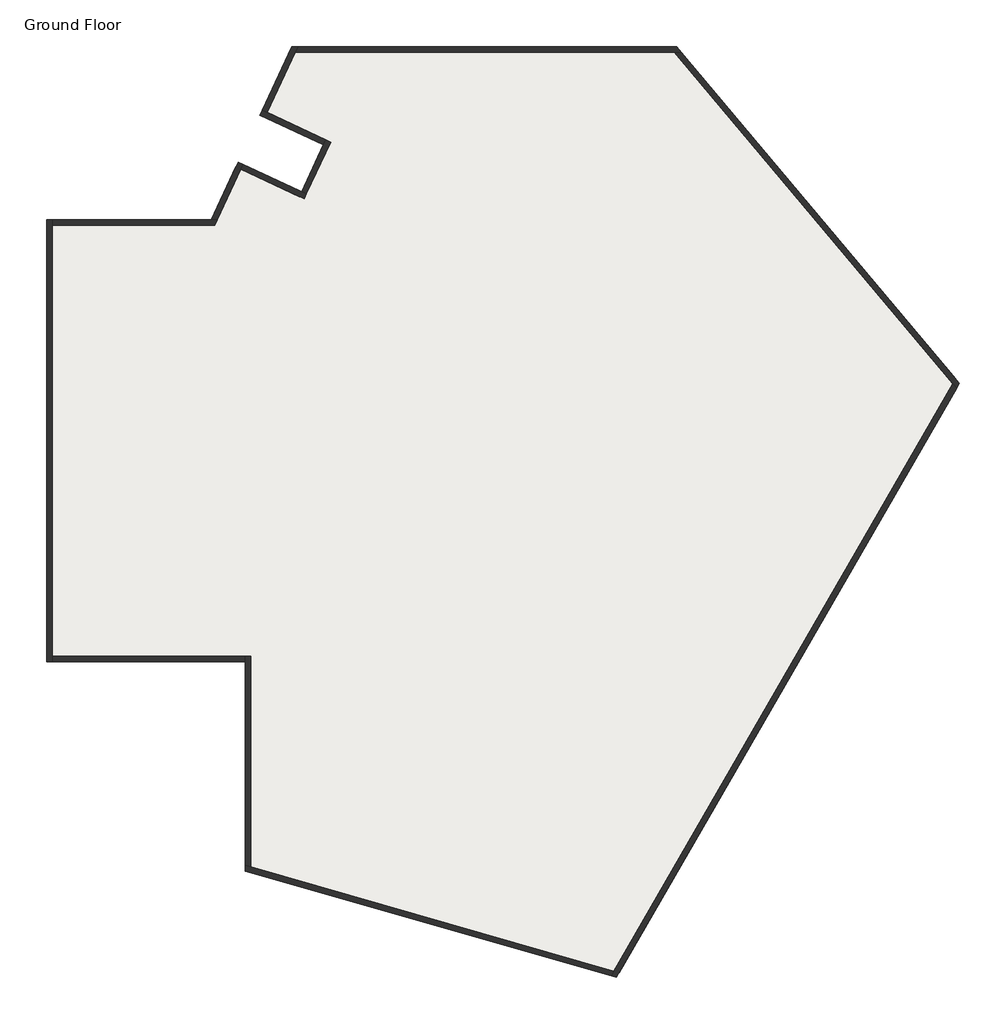
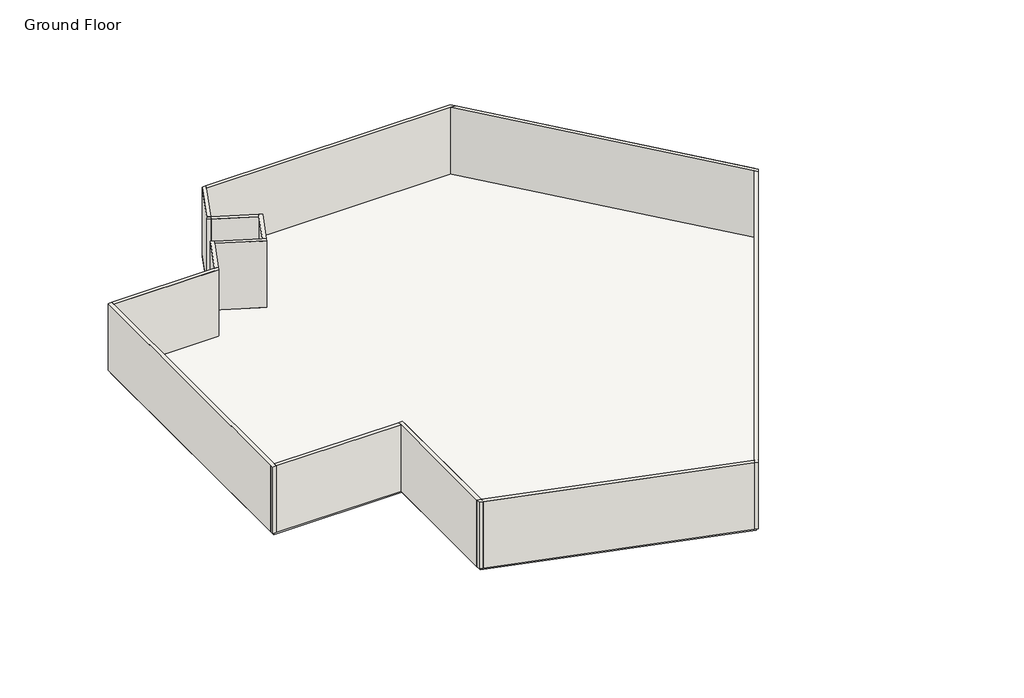
# One storey: 26 walls, 2 slabs.
"""IFC4 building model written with IfcOpenShell, lengths in millimetres."""

from ifc_helpers import new_model, si_unit, frame, origin, origin_with_axes, place, context, project, spatial, polyline, outline, extrude, faceted_brep, element, save

model = new_model("IFC4")

# Units and contexts
model_context = context("Model", 3, world=origin())
ifc_project = project(units=[si_unit("LENGTHUNIT", "METRE", prefix="MILLI")], contexts=[model_context])

# Site, building, storey
site = spatial("IfcSite", under=ifc_project)
building = spatial("IfcBuilding", under=site)
storey = spatial("IfcBuildingStorey", under=building, Name="Ground Floor", Elevation=0.0)

# Slabs
placement = place(None, origin())
element("IfcSlab", 1, ObjectType="Generic 150mm", at=placement, inside=storey, context=model_context, shape_type="SweptSolid", body=[
    extrude(outline(polyline([(-16614.6161583, 7322.1830783), (-10614.6161583, 7322.1830783), (-9645.9163017, 9399.5666246), (-7318.5272527, 8314.2872875), (-6431.028903, 10217.5336403), (-8758.4179521, 11302.8129774), (-7656.2883261, 13666.3375876), (6343.7116739, 13666.3375876), (16628.3134289, 1409.6264977), (4128.3134289, -20241.008597), (-9329.3503142, -16382.0856155), (-9329.3503142, -8677.8169217), (-16614.6161583, -8677.8169217), (-16614.6161583, 7322.1830783)])), frame((0.0, 0.0, -150.0), z_axis=(0.0, 0.0, 1.0), x_axis=(1.0, 0.0, 0.0)), (0.0, 0.0, 1.0), 150.0),
])
element("IfcSlab", 2, ObjectType="Generic 150mm", at=placement, inside=storey, context=model_context, shape_type="SweptSolid", body=[
    extrude(outline(polyline([(-16614.6161583, 7322.1830783), (-10614.6161583, 7322.1830783), (-9645.9163017, 9399.5666246), (-7318.5272527, 8314.2872875), (-6431.028903, 10217.5336403), (-8758.4179521, 11302.8129774), (-7656.2883261, 13666.3375876), (6343.7116739, 13666.3375876), (16628.3134289, 1409.6264977), (4128.3134289, -20241.008597), (-9329.3503142, -16382.0856155), (-9329.3503142, -8677.8169217), (-16614.6161583, -8677.8169217), (-16614.6161583, 7322.1830783)])), frame((0.0, 0.0, -150.0), z_axis=(0.0, 0.0, 1.0), x_axis=(1.0, 0.0, 0.0)), (0.0, 0.0, 1.0), 150.0),
])

# Walls
element("IfcWall", 3, ObjectType="Generic 200mm Wall", at=placement, inside=storey, context=model_context, shape_type="Brep", body=[
    faceted_brep([(-16514.6161583, -8777.8169217, 0.0), (-16514.6161583, -8577.8169217, 0.0), (-16514.6161583, 7222.1830783, 0.0), (-16514.6161583, 7422.1830783, 0.0), (-16514.6161583, 7422.1830783, 4000.0), (-16514.6161583, 7222.1830783, 4000.0), (-16514.6161583, -8577.8169217, 4000.0), (-16514.6161583, -8777.8169217, 4000.0), (-16714.6161583, -8777.8169217, 0.0), (-16714.6161583, -8777.8169217, 4000.0), (-16714.6161583, 7422.1830783, 4000.0), (-16714.6161583, 7422.1830783, 0.0)], [[[0, 1, 2, 3, 4, 5, 6, 7]], [[8, 9, 10, 11]], [[3, 2, 1, 0, 8, 11]], [[7, 6, 5, 4, 10, 9]], [[4, 3, 11, 10]], [[0, 7, 9, 8]]]),
])
element("IfcWall", 4, ObjectType="Generic 200mm Wall", at=placement, inside=storey, context=model_context, shape_type="Brep", body=[
    faceted_brep([(-16514.6161583, 7222.1830783, 0.0), (-10550.9091322, 7222.1830783, 0.0), (-10550.9091322, 7222.1830783, 4000.0), (-16514.6161583, 7222.1830783, 4000.0), (-16514.6161583, 7422.1830783, 0.0), (-16514.6161583, 7422.1830783, 4000.0), (-10678.3231844, 7422.1830783, 4000.0), (-10457.6476006, 7422.1830783, 4000.0), (-10457.6476006, 7422.1830783, 0.0), (-10678.3231844, 7422.1830783, 0.0)], [[[0, 1, 2, 3]], [[4, 5, 6, 7, 8, 9]], [[1, 0, 4, 9, 8]], [[3, 2, 7, 6, 5]], [[2, 1, 8, 7]], [[0, 3, 5, 4]]]),
])
element("IfcWall", 5, ObjectType="Generic 200mm Wall", at=placement, inside=storey, context=model_context, shape_type="Brep", body=[
    faceted_brep([(-10457.6476006, 7422.1830783, 0.0), (-9597.5473492, 9266.6740197, 0.0), (-9513.0236968, 9447.9355771, 0.0), (-9513.0236968, 9447.9355771, 4000.0), (-9597.5473492, 9266.6740197, 4000.0), (-10457.6476006, 7422.1830783, 4000.0), (-10678.3231844, 7422.1830783, 0.0), (-10678.3231844, 7422.1830783, 4000.0), (-9694.2852542, 9532.4592295, 4000.0), (-9694.2852542, 9532.4592295, 0.0)], [[[0, 1, 2, 3, 4, 5]], [[6, 7, 8, 9]], [[2, 1, 0, 6, 9]], [[5, 4, 3, 8, 7]], [[3, 2, 9, 8]], [[0, 5, 7, 6]]]),
])
element("IfcWall", 6, ObjectType="Generic 200mm Wall", at=placement, inside=storey, context=model_context, shape_type="Brep", body=[
    faceted_brep([(-9597.5473492, 9266.6740197, 0.0), (-7270.1583001, 8181.3946827, 0.0), (-7270.1583001, 8181.3946827, 4000.0), (-9597.5473492, 9266.6740197, 4000.0), (-9513.0236968, 9447.9355771, 0.0), (-9513.0236968, 9447.9355771, 4000.0), (-7366.8962052, 8447.1798924, 4000.0), (-7185.6346478, 8362.6562401, 4000.0), (-7185.6346478, 8362.6562401, 0.0), (-7366.8962052, 8447.1798924, 0.0)], [[[0, 1, 2, 3]], [[4, 5, 6, 7, 8, 9]], [[1, 0, 4, 9, 8]], [[3, 2, 7, 6, 5]], [[2, 1, 8, 7]], [[0, 3, 5, 4]]]),
])
element("IfcWall", 7, ObjectType="Generic 200mm Wall", at=placement, inside=storey, context=model_context, shape_type="Brep", body=[
    faceted_brep([(-7185.6346478, 8362.6562401, 0.0), (-6298.1362981, 10265.9025928, 0.0), (-6298.1362981, 10265.9025928, 4000.0), (-7185.6346478, 8362.6562401, 4000.0), (-7366.8962052, 8447.1798924, 0.0), (-7366.8962052, 8447.1798924, 4000.0), (-6563.9215079, 10169.1646878, 4000.0), (-6479.3978555, 10350.4262452, 4000.0), (-6479.3978555, 10350.4262452, 0.0), (-6563.9215079, 10169.1646878, 0.0)], [[[0, 1, 2, 3]], [[4, 5, 6, 7, 8, 9]], [[1, 0, 4, 9, 8]], [[3, 2, 7, 6, 5]], [[2, 1, 8, 7]], [[0, 3, 5, 4]]]),
])
element("IfcWall", 8, ObjectType="Generic 200mm Wall", at=placement, inside=storey, context=model_context, shape_type="Brep", body=[
    faceted_brep([(-6479.3978555, 10350.4262452, 0.0), (-8625.5253472, 11351.1819299, 0.0), (-8806.7869046, 11435.7055823, 0.0), (-8806.7869046, 11435.7055823, 4000.0), (-8625.5253472, 11351.1819299, 4000.0), (-6479.3978555, 10350.4262452, 4000.0), (-6563.9215079, 10169.1646878, 0.0), (-6563.9215079, 10169.1646878, 4000.0), (-8891.3105569, 11254.4440249, 4000.0), (-8891.3105569, 11254.4440249, 0.0)], [[[0, 1, 2, 3, 4, 5]], [[6, 7, 8, 9]], [[2, 1, 0, 6, 9]], [[5, 4, 3, 8, 7]], [[3, 2, 9, 8]], [[0, 5, 7, 6]]]),
])
element("IfcWall", 9, ObjectType="Generic 200mm Wall", at=placement, inside=storey, context=model_context, shape_type="Brep", body=[
    faceted_brep([(-8625.5253472, 11351.1819299, 0.0), (-7592.5813, 13566.3375876, 0.0), (-7499.3197684, 13766.3375876, 0.0), (-7499.3197684, 13766.3375876, 4000.0), (-7592.5813, 13566.3375876, 4000.0), (-8625.5253472, 11351.1819299, 4000.0), (-8806.7869046, 11435.7055823, 0.0), (-8806.7869046, 11435.7055823, 4000.0), (-7719.9953522, 13766.3375876, 4000.0), (-7719.9953522, 13766.3375876, 0.0)], [[[0, 1, 2, 3, 4, 5]], [[6, 7, 8, 9]], [[2, 1, 0, 6, 9]], [[5, 4, 3, 8, 7]], [[3, 2, 9, 8]], [[0, 5, 7, 6]]]),
])
element("IfcWall", 10, ObjectType="Generic 200mm Wall", at=placement, inside=storey, context=model_context, shape_type="Brep", body=[
    faceted_brep([(-7592.5813, 13566.3375876, 0.0), (6297.0809081, 13566.3375876, 0.0), (6558.162366, 13566.3375876, 0.0), (6558.162366, 13566.3375876, 4000.0), (6297.0809081, 13566.3375876, 4000.0), (-7592.5813, 13566.3375876, 4000.0), (-7499.3197684, 13766.3375876, 0.0), (-7499.3197684, 13766.3375876, 4000.0), (6390.3424397, 13766.3375876, 4000.0), (6390.3424397, 13766.3375876, 0.0)], [[[0, 1, 2, 3, 4, 5]], [[6, 7, 8, 9]], [[2, 1, 0, 6, 9]], [[5, 4, 3, 8, 7]], [[3, 2, 9, 8]], [[0, 5, 7, 6]]]),
])
element("IfcWall", 11, ObjectType="Generic 200mm Wall", at=placement, inside=storey, context=model_context, shape_type="Brep", body=[
    faceted_brep([(6297.0809081, 13566.3375876, 0.0), (16506.7005116, 1398.9867461, 0.0), (16643.5085689, 1235.9452522, 0.0), (16643.5085689, 1235.9452522, 4000.0), (16506.7005116, 1398.9867461, 4000.0), (6297.0809081, 13566.3375876, 4000.0), (6558.162366, 13566.3375876, 0.0), (6558.162366, 13566.3375876, 4000.0), (16749.9263462, 1420.2662493, 4000.0), (16749.9263462, 1420.2662493, 0.0)], [[[0, 1, 2, 3, 4, 5]], [[6, 7, 8, 9]], [[2, 1, 0, 6, 9]], [[5, 4, 3, 8, 7]], [[3, 2, 9, 8]], [[0, 5, 7, 6]]]),
])
element("IfcWall", 12, ObjectType="Generic 200mm Wall", at=placement, inside=storey, context=model_context, shape_type="Brep", body=[
    faceted_brep([(16506.7005116, 1398.9867461, 0.0), (4080.7751698, -20123.3472769, 0.0), (3977.7138069, -20301.8547938, 0.0), (3977.7138069, -20301.8547938, 4000.0), (4080.7751698, -20123.3472769, 4000.0), (16506.7005116, 1398.9867461, 4000.0), (16643.5085689, 1235.9452522, 0.0), (16643.5085689, 1235.9452522, 4000.0), (4175.8516879, -20358.669917, 4000.0), (4175.8516879, -20358.669917, 0.0)], [[[0, 1, 2, 3, 4, 5]], [[6, 7, 8, 9]], [[2, 1, 0, 6, 9]], [[5, 4, 3, 8, 7]], [[3, 2, 9, 8]], [[0, 5, 7, 6]]]),
])
element("IfcWall", 13, ObjectType="Generic 200mm Wall", at=placement, inside=storey, context=model_context, shape_type="Brep", body=[
    faceted_brep([(4080.7751698, -20123.3472769, 0.0), (-9229.3503142, -16306.7302105, 0.0), (-9429.3503142, -16249.3811334, 0.0), (-9429.3503142, -16249.3811334, 4000.0), (-9229.3503142, -16306.7302105, 4000.0), (4080.7751698, -20123.3472769, 4000.0), (3977.7138069, -20301.8547938, 0.0), (3977.7138069, -20301.8547938, 4000.0), (-9429.3503142, -16457.4410205, 4000.0), (-9429.3503142, -16457.4410205, 0.0)], [[[0, 1, 2, 3, 4, 5]], [[6, 7, 8, 9]], [[2, 1, 0, 6, 9]], [[5, 4, 3, 8, 7]], [[3, 2, 9, 8]], [[0, 5, 7, 6]]]),
])
element("IfcWall", 14, ObjectType="Generic 200mm Wall", at=placement, inside=storey, context=model_context, shape_type="Brep", body=[
    faceted_brep([(-9229.3503142, -16306.7302105, 0.0), (-9229.3503142, -8577.8169217, 0.0), (-9229.3503142, -8577.8169217, 4000.0), (-9229.3503142, -16306.7302105, 4000.0), (-9429.3503142, -16249.3811334, 0.0), (-9429.3503142, -16249.3811334, 4000.0), (-9429.3503142, -8777.8169217, 4000.0), (-9429.3503142, -8577.8169217, 4000.0), (-9429.3503142, -8577.8169217, 0.0), (-9429.3503142, -8777.8169217, 0.0)], [[[0, 1, 2, 3]], [[4, 5, 6, 7, 8, 9]], [[1, 0, 4, 9, 8]], [[3, 2, 7, 6, 5]], [[2, 1, 8, 7]], [[0, 3, 5, 4]]]),
])
element("IfcWall", 15, ObjectType="Generic 200mm Wall", at=placement, inside=storey, context=model_context, shape_type="SweptSolid", body=[
    extrude(outline(polyline([(-16514.6161583, -8577.8169217), (-9429.3503142, -8577.8169217), (-9429.3503142, -8777.8169217), (-16514.6161583, -8777.8169217), (-16514.6161583, -8577.8169217)])), origin_with_axes(), (0.0, 0.0, 1.0), 4000.0),
])
element("IfcWall", 16, ObjectType="Generic 200mm Wall", at=placement, inside=storey, context=model_context, shape_type="SweptSolid", body=[
    extrude(outline(polyline([(-16514.6161583, 7222.1830783), (-16514.6161583, -8577.8169217), (-16714.6161583, -8577.8169217), (-16714.6161583, 7222.1830783), (-16514.6161583, 7222.1830783)])), origin_with_axes(), (0.0, 0.0, 1.0), 4000.0),
])
element("IfcWall", 17, ObjectType="Generic 200mm Wall", at=placement, inside=storey, context=model_context, shape_type="Brep", body=[
    faceted_brep([(-16514.6161583, 7222.1830783, 0.0), (-10771.584716, 7222.1830783, 0.0), (-10771.584716, 7222.1830783, 4000.0), (-16514.6161583, 7222.1830783, 4000.0), (-16514.6161583, 7422.1830783, 0.0), (-16514.6161583, 7422.1830783, 2083.0), (-16514.6161583, 7422.1830783, 4000.0), (-10678.3231844, 7422.1830783, 4000.0), (-10678.3231844, 7422.1830783, 0.0)], [[[0, 1, 2, 3]], [[4, 5, 6, 7, 8]], [[1, 0, 4, 8]], [[3, 2, 7, 6]], [[0, 3, 6, 5, 4]], [[2, 1, 8, 7]]]),
])
element("IfcWall", 18, ObjectType="Generic 200mm Wall", at=placement, inside=storey, context=model_context, shape_type="SweptSolid", body=[
    extrude(outline(polyline([(-9597.5473492, 9266.6740197), (-10457.6476006, 7422.1830783), (-10678.3231844, 7422.1830783), (-9778.8089066, 9351.1976721), (-9597.5473492, 9266.6740197)])), origin_with_axes(), (0.0, 0.0, 1.0), 4000.0),
])
element("IfcWall", 19, ObjectType="Generic 200mm Wall", at=placement, inside=storey, context=model_context, shape_type="SweptSolid", body=[
    extrude(outline(polyline([(-7451.4198575, 8265.918335), (-9597.5473492, 9266.6740197), (-9513.0236968, 9447.9355771), (-7366.8962052, 8447.1798924), (-7451.4198575, 8265.918335)])), origin_with_axes(), (0.0, 0.0, 1.0), 4000.0),
])
element("IfcWall", 20, ObjectType="Generic 200mm Wall", at=placement, inside=storey, context=model_context, shape_type="SweptSolid", body=[
    extrude(outline(polyline([(-6382.6599505, 10084.6410354), (-7185.6346478, 8362.6562401), (-7366.8962052, 8447.1798924), (-6563.9215079, 10169.1646878), (-6382.6599505, 10084.6410354)])), origin_with_axes(), (0.0, 0.0, 1.0), 4000.0),
])
element("IfcWall", 21, ObjectType="Generic 200mm Wall", at=placement, inside=storey, context=model_context, shape_type="SweptSolid", body=[
    extrude(outline(polyline([(-8625.5253472, 11351.1819299), (-6479.3978555, 10350.4262452), (-6563.9215079, 10169.1646878), (-8710.0489995, 11169.9203725), (-8625.5253472, 11351.1819299)])), origin_with_axes(), (0.0, 0.0, 1.0), 4000.0),
])
element("IfcWall", 22, ObjectType="Generic 200mm Wall", at=placement, inside=storey, context=model_context, shape_type="SweptSolid", body=[
    extrude(outline(polyline([(-7592.5813, 13566.3375876), (-8625.5253472, 11351.1819299), (-8806.7869046, 11435.7055823), (-7813.2568838, 13566.3375876), (-7592.5813, 13566.3375876)])), origin_with_axes(), (0.0, 0.0, 1.0), 4000.0),
])
element("IfcWall", 23, ObjectType="Generic 200mm Wall", at=placement, inside=storey, context=model_context, shape_type="SweptSolid", body=[
    extrude(outline(polyline([(6297.0809081, 13566.3375876), (-7592.5813, 13566.3375876), (-7499.3197684, 13766.3375876), (6129.2609819, 13766.3375876), (6297.0809081, 13566.3375876)])), origin_with_axes(), (0.0, 0.0, 1.0), 4000.0),
])
element("IfcWall", 24, ObjectType="Generic 200mm Wall", at=placement, inside=storey, context=model_context, shape_type="SweptSolid", body=[
    extrude(outline(polyline([(16506.7005116, 1398.9867461), (6297.0809081, 13566.3375876), (6558.162366, 13566.3375876), (16613.1182889, 1583.3077431), (16506.7005116, 1398.9867461)])), origin_with_axes(), (0.0, 0.0, 1.0), 4000.0),
])
element("IfcWall", 25, ObjectType="Generic 200mm Wall", at=placement, inside=storey, context=model_context, shape_type="SweptSolid", body=[
    extrude(outline(polyline([(4080.7751698, -20123.3472769), (16506.7005116, 1398.9867461), (16643.5085689, 1235.9452522), (4278.9130509, -20180.1624001), (4080.7751698, -20123.3472769)])), origin_with_axes(), (0.0, 0.0, 1.0), 4000.0),
])
element("IfcWall", 26, ObjectType="Generic 200mm Wall", at=placement, inside=storey, context=model_context, shape_type="SweptSolid", body=[
    extrude(outline(polyline([(-9229.3503142, -16306.7302105), (4080.7751698, -20123.3472769), (3977.7138069, -20301.8547938), (-9229.3503142, -16514.7900977), (-9229.3503142, -16306.7302105)])), origin_with_axes(), (0.0, 0.0, 1.0), 4000.0),
])
element("IfcWall", 27, ObjectType="Generic 200mm Wall", at=placement, inside=storey, context=model_context, shape_type="SweptSolid", body=[
    extrude(outline(polyline([(-9229.3503142, -8777.8169217), (-9229.3503142, -16306.7302105), (-9429.3503142, -16249.3811334), (-9429.3503142, -8777.8169217), (-9229.3503142, -8777.8169217)])), origin_with_axes(), (0.0, 0.0, 1.0), 4000.0),
])
element("IfcWall", 28, ObjectType="Generic 200mm Wall", at=placement, inside=storey, context=model_context, shape_type="Brep", body=[
    faceted_brep([(-9429.3503142, -8577.8169217, 0.0), (-16514.6161583, -8577.8169217, 0.0), (-16514.6161583, -8577.8169217, 4000.0), (-9429.3503142, -8577.8169217, 4000.0), (-9429.3503142, -8777.8169217, 0.0), (-9429.3503142, -8777.8169217, 4000.0), (-16514.6161583, -8777.8169217, 4000.0), (-16514.6161583, -8777.8169217, 2083.0), (-16514.6161583, -8777.8169217, 0.0)], [[[0, 1, 2, 3]], [[4, 5, 6, 7, 8]], [[1, 0, 4, 8]], [[3, 2, 6, 5]], [[2, 1, 8, 7, 6]], [[0, 3, 5, 4]]]),
])

save(model, "model.ifc")
